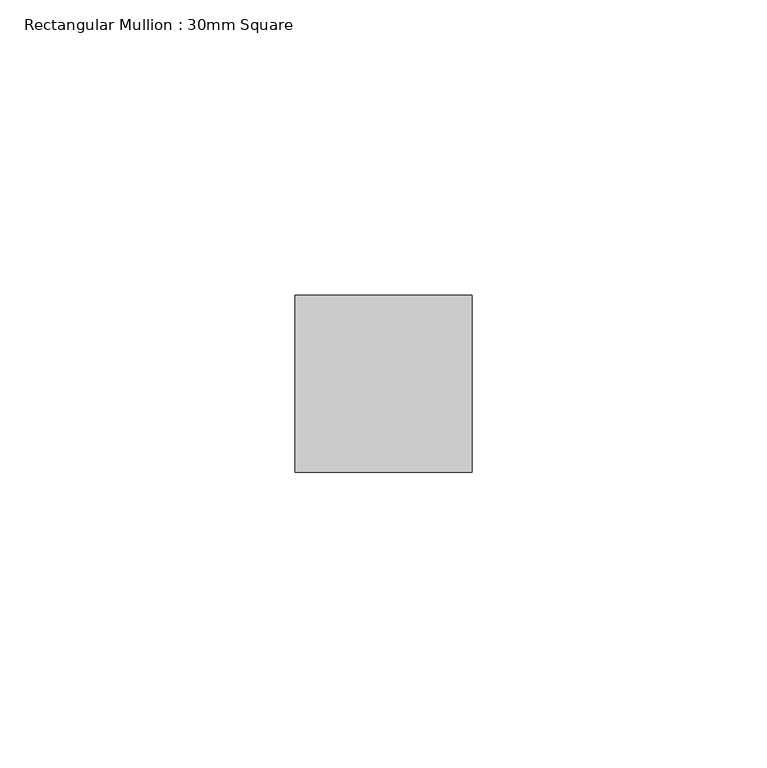
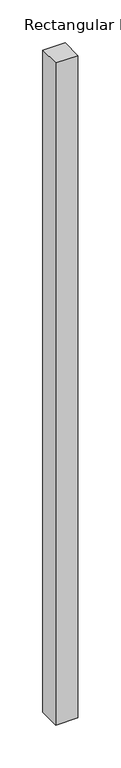
"""IFC4 building model written with IfcOpenShell, lengths in millimetres: member geometry, Rectangular Mullion : 30mm Square."""

from ifc_helpers import new_model, si_unit, frame, origin, place, context, project, spatial, polyline, outline, extrude, source, transform, mapped, element, save


def rectangular_mullion_30mm_square_b6cc130d(model_context):
    return source(origin(), model_context, "Body", "SweptSolid", [
        extrude(outline(polyline([(0.0, 15.0), (0.0, -15.0), (-30.0, -15.0), (-30.0, 15.0), (0.0, 15.0)])), frame((0.0, 0.0, -944.1958271), z_axis=(0.0, 0.0, 1.0), x_axis=(1.0, 0.0, 0.0)), (0.0, 0.0, 1.0), 944.1958271),
    ])


if __name__ == "__main__":
    model = new_model("IFC4")
    model_context = context("Model", 3, world=origin())
    ifc_project = project(units=[si_unit("LENGTHUNIT", "METRE", prefix="MILLI")], contexts=[model_context])
    site = spatial("IfcSite", under=ifc_project)
    building = spatial("IfcBuilding", under=site)
    placement = place(None, origin())
    rectangular_mullion_30mm_square_shape = rectangular_mullion_30mm_square_b6cc130d(model_context)
    element("IfcMember", 1, ObjectType="Rectangular Mullion : 30mm Square", at=placement, inside=building, context=model_context, shape_type="MappedRepresentation", body=[
        mapped(rectangular_mullion_30mm_square_shape, transform((0.0, 0.0, 0.0), x_axis=(1.0, 0.0, 0.0), y_axis=(0.0, 1.0, 0.0), z_axis=(0.0, 0.0, 1.0))),
    ])
    save(model, "model.ifc")
